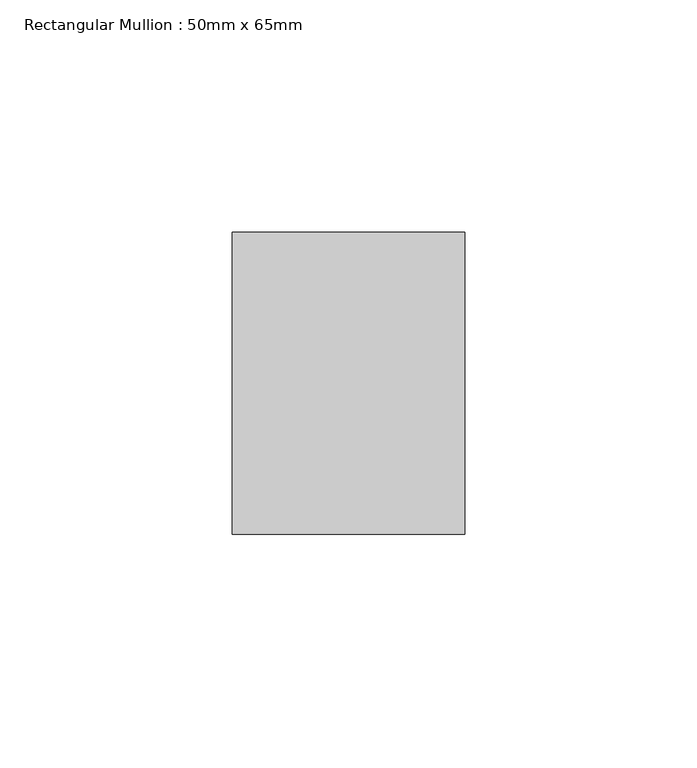
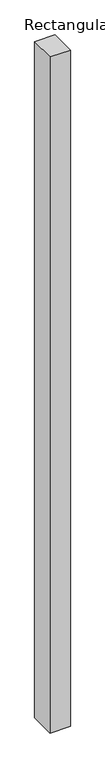
"""IFC4 building model written with IfcOpenShell, lengths in millimetres: member geometry, Rectangular Mullion : 50mm x 65mm."""

from ifc_helpers import new_model, si_unit, frame, origin, place, context, project, spatial, polyline, outline, extrude, source, transform, mapped, element, save


def rectangular_mullion_50mm_x_65mm_fd58b8bd(model_context):
    return source(origin(), model_context, "Body", "SweptSolid", [
        extrude(outline(polyline([(25.0, 32.5), (25.0, -32.5), (-25.0, -32.5), (-25.0, 32.5), (25.0, 32.5)])), frame((0.0, 0.0, -1754.4950282), z_axis=(0.0, 0.0, 1.0), x_axis=(1.0, 0.0, 0.0)), (0.0, 0.0, 1.0), 1754.4950282),
    ])


if __name__ == "__main__":
    model = new_model("IFC4")
    model_context = context("Model", 3, world=origin())
    ifc_project = project(units=[si_unit("LENGTHUNIT", "METRE", prefix="MILLI")], contexts=[model_context])
    site = spatial("IfcSite", under=ifc_project)
    building = spatial("IfcBuilding", under=site)
    placement = place(None, origin())
    rectangular_mullion_50mm_x_65mm_shape = rectangular_mullion_50mm_x_65mm_fd58b8bd(model_context)
    element("IfcMember", 1, ObjectType="Rectangular Mullion : 50mm x 65mm", at=placement, inside=building, context=model_context, shape_type="MappedRepresentation", body=[
        mapped(rectangular_mullion_50mm_x_65mm_shape, transform((0.0, 0.0, 0.0), x_axis=(1.0, 0.0, 0.0), y_axis=(0.0, 1.0, 0.0), z_axis=(0.0, 0.0, 1.0))),
    ])
    save(model, "model.ifc")
